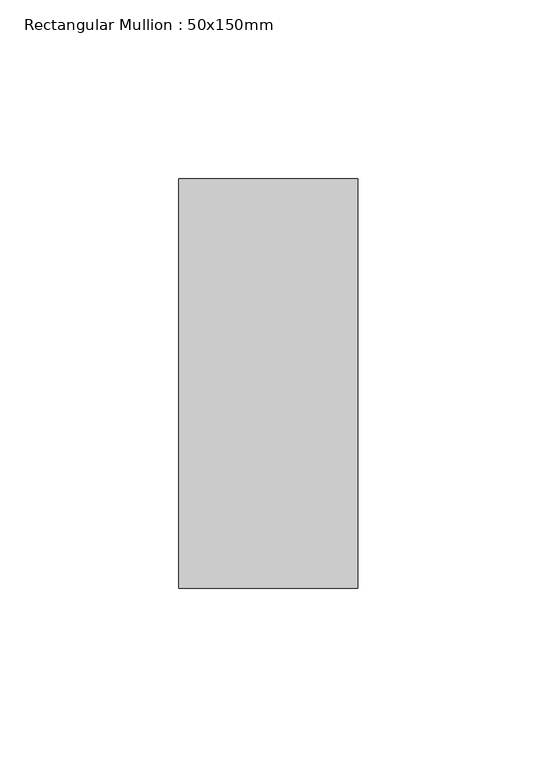
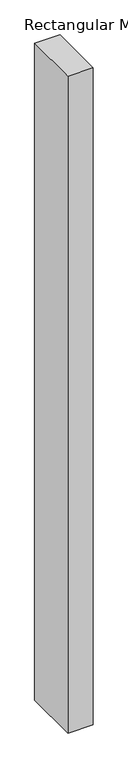
"""IFC4 building model written with IfcOpenShell, lengths in millimetres: member geometry, Rectangular Mullion : 50x150mm."""

from ifc_helpers import new_model, si_unit, frame, origin, place, context, project, spatial, polyline, outline, extrude, source, transform, mapped, element, save


def rectangular_mullion_50x150mm_c79cc2f5(model_context):
    return source(origin(), model_context, "Body", "SweptSolid", [
        extrude(outline(polyline([(0.0, 57.15), (0.0, -57.15), (-50.0, -57.15), (-50.0, 57.15), (0.0, 57.15)])), frame((0.0, 0.0, -1377.830469), z_axis=(0.0, 0.0, 1.0), x_axis=(1.0, 0.0, 0.0)), (0.0, 0.0, 1.0), 1377.830469),
    ])


if __name__ == "__main__":
    model = new_model("IFC4")
    model_context = context("Model", 3, world=origin())
    ifc_project = project(units=[si_unit("LENGTHUNIT", "METRE", prefix="MILLI")], contexts=[model_context])
    site = spatial("IfcSite", under=ifc_project)
    building = spatial("IfcBuilding", under=site)
    placement = place(None, origin())
    rectangular_mullion_50x150mm_shape = rectangular_mullion_50x150mm_c79cc2f5(model_context)
    element("IfcMember", 1, ObjectType="Rectangular Mullion : 50x150mm", at=placement, inside=building, context=model_context, shape_type="MappedRepresentation", body=[
        mapped(rectangular_mullion_50x150mm_shape, transform((0.0, 0.0, 0.0), x_axis=(1.0, 0.0, 0.0), y_axis=(0.0, 1.0, 0.0), z_axis=(0.0, 0.0, 1.0))),
    ])
    save(model, "model.ifc")
